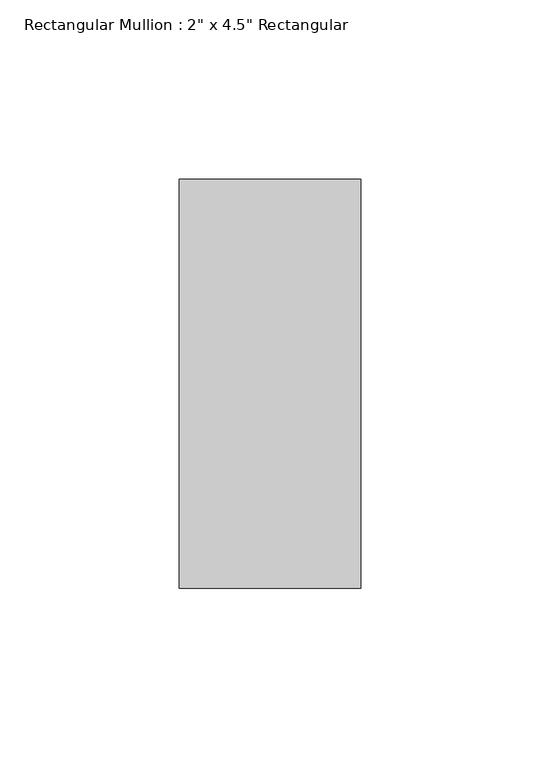
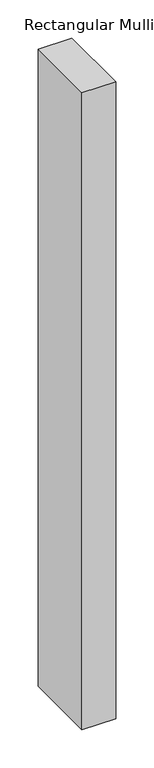
"""IFC4 building model written with IfcOpenShell, lengths in millimetres: member geometry."""

from ifc_helpers import new_model, si_unit, frame, origin, place, context, project, spatial, polyline, outline, extrude, source, transform, mapped, element, save


def member_262e939e(model_context):
    return source(origin(), model_context, "Body", "SweptSolid", [
        extrude(outline(polyline([(0.0, 57.15), (0.0, -57.15), (-50.8, -57.15), (-50.8, 57.15), (0.0, 57.15)])), frame((0.0, 0.0, -1016.0), z_axis=(0.0, 0.0, 1.0), x_axis=(1.0, 0.0, 0.0)), (0.0, 0.0, 1.0), 1016.0),
    ])


if __name__ == "__main__":
    model = new_model("IFC4")
    model_context = context("Model", 3, world=origin())
    ifc_project = project(units=[si_unit("LENGTHUNIT", "METRE", prefix="MILLI")], contexts=[model_context])
    site = spatial("IfcSite", under=ifc_project)
    building = spatial("IfcBuilding", under=site)
    placement = place(None, origin())
    member_shape = member_262e939e(model_context)
    element("IfcMember", 1, ObjectType="Rectangular Mullion : 2\" x 4.5\" Rectangular", at=placement, inside=building, context=model_context, shape_type="MappedRepresentation", body=[
        mapped(member_shape, transform((0.0, 0.0, 0.0), x_axis=(1.0, 0.0, 0.0), y_axis=(0.0, 1.0, 0.0), z_axis=(0.0, 0.0, 1.0))),
    ])
    save(model, "model.ifc")
